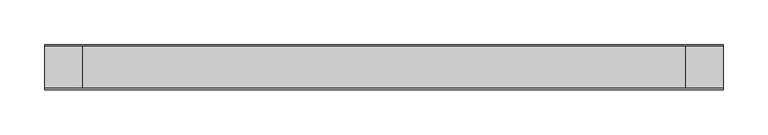
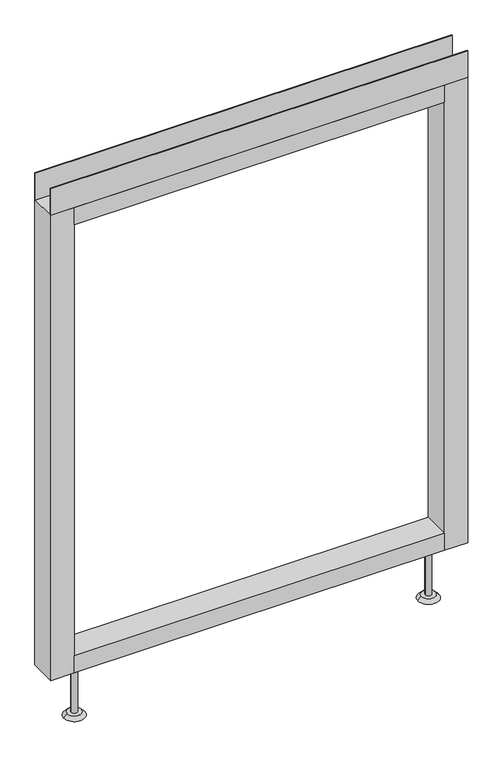
"""IFC4 building model written with IfcOpenShell, lengths in millimetres: furniture geometry."""

from ifc_helpers import new_model, si_unit, point, frame, frame_2d, origin, place, context, project, spatial, polyline, circle_curve, trimmed, segment, composite_curve, outline, extrude, source, transform, mapped, element, save
from ifc_brep_helpers import plane_surface, revolved_surface, advanced_brep


def furniture_97344148(model_context):
    return source(origin(), model_context, "Body", "SolidModel", [
        advanced_brep(
        [(311.15, 0.0, 6.35), (336.55, 0.0, 6.35), (304.8, 0.0, 0.0), (342.9, 0.0, 0.0)],
        [
            (0, 1, circle_curve(frame((323.85, 0.0, 6.35), z_axis=(0.0, 0.0, 1.0), x_axis=(-1.0, 0.0, 0.0)), 12.7)),
            (1, 0, circle_curve(frame((323.85, 0.0, 6.35), z_axis=(0.0, 0.0, 1.0), x_axis=(1.0, 0.0, 0.0)), 12.7)),
            (2, 3, circle_curve(frame((323.85, 0.0, 0.0), z_axis=(0.0, 0.0, -1.0), x_axis=(1.0, 0.0, 0.0)), 19.05)),
            (3, 2, circle_curve(frame((323.85, 0.0, 0.0), z_axis=(0.0, 0.0, -1.0), x_axis=(-1.0, 0.0, 0.0)), 19.05)),
            (3, 1),
            (0, 2),
        ],
        [
            plane_surface(frame((323.85, 0.0, 6.35), z_axis=(0.0, 0.0, 1.0), x_axis=(0.0, -1.0, 0.0))),
            plane_surface(frame((323.85, 0.0, 0.0), z_axis=(0.0, 0.0, -1.0), x_axis=(0.0, -1.0, 0.0))),
            revolved_surface(polyline([(311.15000000000003, 0.0, 6.35), (304.8, 0.0, 0.0)]), (323.85, 0.0, 19.05), (0.0, 0.0, -1.0)),
            revolved_surface(polyline([(336.55, 0.0, 6.35), (342.9, 0.0, 0.0)]), (323.85, 0.0, 19.05), (0.0, 0.0, -1.0)),
        ],
        [
            (0, [[1, 2]]),
            (1, [[3, 4]]),
            (2, [[-4, 5, -1, 6]]),
            (3, [[-3, -6, -2, -5]]),
        ],
    ),
        advanced_brep(
        [(-336.55, 0.0, 6.35), (-311.15, 0.0, 6.35), (-342.9, 0.0, 0.0), (-304.8, 0.0, 0.0)],
        [
            (0, 1, circle_curve(frame((-323.85, 0.0, 6.35), z_axis=(0.0, 0.0, 1.0), x_axis=(-1.0, 0.0, 0.0)), 12.7)),
            (1, 0, circle_curve(frame((-323.85, 0.0, 6.35), z_axis=(0.0, 0.0, 1.0), x_axis=(1.0, 0.0, 0.0)), 12.7)),
            (2, 3, circle_curve(frame((-323.85, 0.0, 0.0), z_axis=(0.0, 0.0, -1.0), x_axis=(1.0, 0.0, 0.0)), 19.05)),
            (3, 2, circle_curve(frame((-323.85, 0.0, 0.0), z_axis=(0.0, 0.0, -1.0), x_axis=(-1.0, 0.0, 0.0)), 19.05)),
            (3, 1),
            (0, 2),
        ],
        [
            plane_surface(frame((-323.85, 0.0, 6.35), z_axis=(0.0, 0.0, 1.0), x_axis=(0.0, -1.0, 0.0))),
            plane_surface(frame((-323.85, 0.0, 0.0), z_axis=(0.0, 0.0, -1.0), x_axis=(0.0, -1.0, 0.0))),
            revolved_surface(polyline([(-336.55, 0.0, 6.35), (-342.9, 0.0, 0.0)]), (-323.85, 0.0, 19.05), (0.0, 0.0, -1.0)),
            revolved_surface(polyline([(-311.15000000000003, 0.0, 6.35), (-304.8, 0.0, 0.0)]), (-323.85, 0.0, 19.05), (0.0, 0.0, -1.0)),
        ],
        [
            (0, [[1, 2]]),
            (1, [[3, 4]]),
            (2, [[-4, 5, -1, 6]]),
            (3, [[-3, -6, -2, -5]]),
        ],
    ),
        extrude(outline(polyline([(381.0, -23.8125), (381.0, -25.4), (-381.0, -25.4), (-381.0, -23.8125), (381.0, -23.8125)])), frame((0.0, 0.0, 1000.633), z_axis=(0.0, 0.0, 1.0), x_axis=(1.0, 0.0, 0.0)), (0.0, 0.0, 1.0), 51.435),
        extrude(outline(polyline([(381.0, 25.4), (381.0, 23.8125), (-381.0, 23.8125), (-381.0, 25.4), (381.0, 25.4)])), frame((0.0, 0.0, 1000.633), z_axis=(0.0, 0.0, 1.0), x_axis=(1.0, 0.0, 0.0)), (0.0, 0.0, 1.0), 51.435),
        extrude(outline(polyline([(338.1375, -25.4), (-338.1375, -25.4), (-338.1375, 25.4), (338.1375, 25.4), (338.1375, -25.4)])), frame((0.0, 0.0, 967.74), z_axis=(0.0, 0.0, 1.0), x_axis=(1.0, 0.0, 0.0)), (0.0, 0.0, 1.0), 32.893),
        extrude(outline(polyline([(338.1375, -25.4), (-338.1375, -25.4), (-338.1375, 25.4), (338.1375, 25.4), (338.1375, -25.4)])), frame((0.0, 0.0, 101.6), z_axis=(0.0, 0.0, 1.0), x_axis=(1.0, 0.0, 0.0)), (0.0, 0.0, 1.0), 32.893),
        extrude(outline(composite_curve([segment(trimmed(circle_curve(frame_2d((-323.85, 0.0)), 5.55625), [point((-329.40625, 0.0))], [point((-318.29375, 0.0))], False, "CARTESIAN"), True, "CONTINUOUS"), segment(trimmed(circle_curve(frame_2d((-323.85, 0.0)), 5.55625), [point((-318.29375, 0.0))], [point((-329.40625, 0.0))], False, "CARTESIAN"), True, "CONTINUOUS")], self_intersect=False)), frame((0.0, 0.0, 6.35), z_axis=(0.0, 0.0, 1.0), x_axis=(1.0, 0.0, 0.0)), (0.0, 0.0, 1.0), 95.25),
        extrude(outline(composite_curve([segment(trimmed(circle_curve(frame_2d((323.85, 0.0)), 5.55625), [point((318.29375, 0.0))], [point((329.40625, 0.0))], False, "CARTESIAN"), True, "CONTINUOUS"), segment(trimmed(circle_curve(frame_2d((323.85, 0.0)), 5.55625), [point((329.40625, 0.0))], [point((318.29375, 0.0))], False, "CARTESIAN"), True, "CONTINUOUS")], self_intersect=False)), frame((0.0, 0.0, 6.35), z_axis=(0.0, 0.0, 1.0), x_axis=(1.0, 0.0, 0.0)), (0.0, 0.0, 1.0), 95.25),
        extrude(outline(polyline([(-338.1375, -25.4), (-381.0, -25.4), (-381.0, 25.4), (-338.1375, 25.4), (-338.1375, -25.4)])), frame((0.0, 0.0, 101.6), z_axis=(0.0, 0.0, 1.0), x_axis=(1.0, 0.0, 0.0)), (0.0, 0.0, 1.0), 899.033),
        extrude(outline(polyline([(381.0, -25.4), (338.1375, -25.4), (338.1375, 25.4), (381.0, 25.4), (381.0, -25.4)])), frame((0.0, 0.0, 101.6), z_axis=(0.0, 0.0, 1.0), x_axis=(1.0, 0.0, 0.0)), (0.0, 0.0, 1.0), 899.033),
    ])


if __name__ == "__main__":
    model = new_model("IFC4")
    model_context = context("Model", 3, world=origin())
    ifc_project = project(units=[si_unit("LENGTHUNIT", "METRE", prefix="MILLI")], contexts=[model_context])
    site = spatial("IfcSite", under=ifc_project)
    building = spatial("IfcBuilding", under=site)
    placement = place(None, origin())
    furniture_shape = furniture_97344148(model_context)
    element("IfcFurniture", 1, at=placement, inside=building, context=model_context, shape_type="MappedRepresentation", body=[
        mapped(furniture_shape, transform((0.0, 0.0, 0.0), x_axis=(1.0, 0.0, 0.0), y_axis=(0.0, 1.0, 0.0), z_axis=(0.0, 0.0, 1.0))),
    ])
    save(model, "model.ifc")
